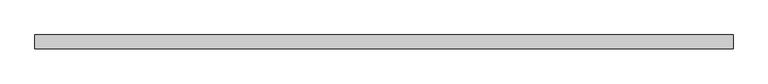
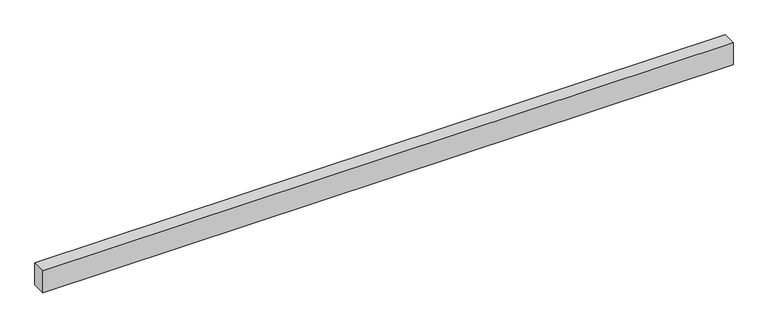
"""IFC4 building model written with IfcOpenShell, lengths in millimetres: proxy geometry."""

from ifc_helpers import new_model, si_unit, origin, origin_with_axes, place, context, project, spatial, polyline, outline, extrude, source, transform, mapped, element, save


def generic_models_70cd745c(model_context):
    return source(origin(), model_context, "Body", "SweptSolid", [
        extrude(outline(polyline([(15000.0, 300.0), (15000.0, 0.0), (0.0, 0.0), (0.0, 300.0), (15000.0, 300.0)])), origin_with_axes(), (0.0, 0.0, 1.0), 500.0),
    ])


if __name__ == "__main__":
    model = new_model("IFC4")
    model_context = context("Model", 3, world=origin())
    ifc_project = project(units=[si_unit("LENGTHUNIT", "METRE", prefix="MILLI")], contexts=[model_context])
    site = spatial("IfcSite", under=ifc_project)
    building = spatial("IfcBuilding", under=site)
    placement = place(None, origin())
    generic_models_shape = generic_models_70cd745c(model_context)
    element("IfcBuildingElementProxy", 1, Name="Generic Models", at=placement, inside=building, context=model_context, shape_type="MappedRepresentation", body=[
        mapped(generic_models_shape, transform((0.0, 0.0, 0.0), x_axis=(1.0, 0.0, 0.0), y_axis=(0.0, 1.0, 0.0), z_axis=(0.0, 0.0, 1.0))),
    ])
    save(model, "model.ifc")
